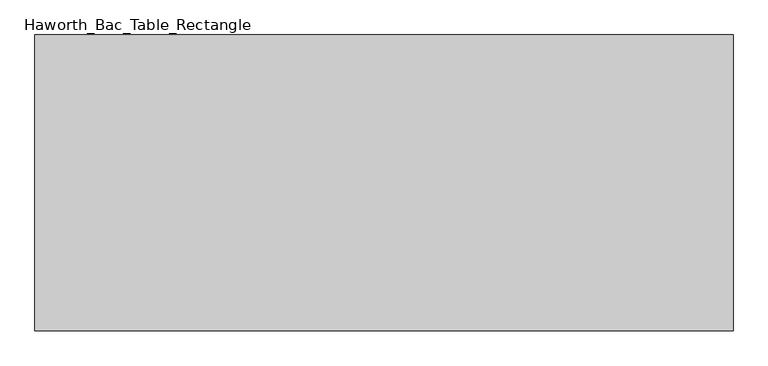
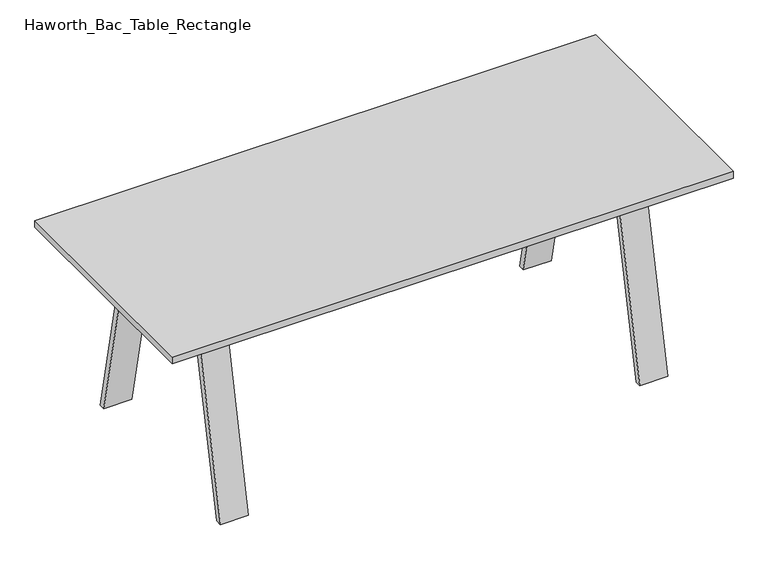
"""IFC4 building model written with IfcOpenShell, lengths in millimetres: furniture geometry, Haworth_Bac_Table_Rectangle."""

from ifc_helpers import new_model, si_unit, frame, origin, place, context, project, spatial, polyline, outline, extrude, source, transform, mapped, element, save


def haworth_bac_table_rectangle_2a127dba(model_context):
    return source(origin(), model_context, "Body", "SweptSolid", [
        extrude(outline(polyline([(1003.3, 421.4200592), (1003.3, -429.4799408), (-1003.3, -429.4799408), (-1003.3, 421.4200592), (1003.3, 421.4200592)])), frame((0.0, 0.0, 711.2), z_axis=(0.0, 0.0, 1.0), x_axis=(1.0, 0.0, 0.0)), (0.0, 0.0, 1.0), 25.4),
        extrude(outline(polyline([(720.0800781, 25.9837311), (720.0800781, -34.0436127), (-720.0800781, -34.0436127), (-720.0800781, 25.9837311), (720.0800781, 25.9837311)])), frame((0.0, 0.0, 630.7335938), z_axis=(0.0, 0.0, 1.0), x_axis=(1.0, 0.0, 0.0)), (0.0, 0.0, 1.0), 80.4664062),
        extrude(outline(polyline([(-202.9569134, 711.2), (194.8970319, 711.2), (212.0006945, 630.7335937), (-220.0605761, 630.7335937), (-202.9569134, 711.2)])), frame((720.0800781, 0.0, 0.0), z_axis=(1.0, 0.0, 0.0), x_axis=(0.0, 1.0, 0.0)), (0.0, 0.0, 1.0), 60.0273437),
        extrude(outline(polyline([(-202.9569134, 711.2), (-354.1271401, 0.0), (-376.6186089, 0.0), (-225.4483823, 711.2), (-202.9569134, 711.2)])), frame((700.0875, 0.0, 0.0), z_axis=(1.0, 0.0, 0.0), x_axis=(0.0, 1.0, 0.0)), (0.0, 0.0, 1.0), 100.0125),
        extrude(outline(polyline([(194.8970319, 711.2), (217.3885007, 711.2), (368.5587274, 0.0), (346.0672585, 0.0), (194.8970319, 711.2)])), frame((700.0875, 0.0, 0.0), z_axis=(1.0, 0.0, 0.0), x_axis=(0.0, 1.0, 0.0)), (0.0, 0.0, 1.0), 100.0125),
        extrude(outline(polyline([(-202.9569134, 711.2), (194.8970319, 711.2), (212.0006945, 630.7335938), (-220.0605761, 630.7335938), (-202.9569134, 711.2)])), frame((-780.1074219, 0.0, 0.0), z_axis=(1.0, 0.0, 0.0), x_axis=(0.0, 1.0, 0.0)), (0.0, 0.0, 1.0), 60.0273437),
        extrude(outline(polyline([(-202.9569134, 711.2), (-354.1271401, 0.0), (-376.6186089, 0.0), (-225.4483823, 711.2), (-202.9569134, 711.2)])), frame((-800.1, 0.0, 0.0), z_axis=(1.0, 0.0, 0.0), x_axis=(0.0, 1.0, 0.0)), (0.0, 0.0, 1.0), 100.0125),
        extrude(outline(polyline([(194.8970319, 711.2), (217.3885007, 711.2), (368.5587274, 0.0), (346.0672585, 0.0), (194.8970319, 711.2)])), frame((-800.1, 0.0, 0.0), z_axis=(1.0, 0.0, 0.0), x_axis=(0.0, 1.0, 0.0)), (0.0, 0.0, 1.0), 100.0125),
    ])


if __name__ == "__main__":
    model = new_model("IFC4")
    model_context = context("Model", 3, world=origin())
    ifc_project = project(units=[si_unit("LENGTHUNIT", "METRE", prefix="MILLI")], contexts=[model_context])
    site = spatial("IfcSite", under=ifc_project)
    building = spatial("IfcBuilding", under=site)
    placement = place(None, origin())
    haworth_bac_table_rectangle_shape = haworth_bac_table_rectangle_2a127dba(model_context)
    element("IfcFurniture", 1, ObjectType="Haworth_Bac_Table_Rectangle", at=placement, inside=building, context=model_context, shape_type="MappedRepresentation", body=[
        mapped(haworth_bac_table_rectangle_shape, transform((0.0, 0.0, 0.0), x_axis=(1.0, 0.0, 0.0), y_axis=(0.0, 1.0, 0.0), z_axis=(0.0, 0.0, 1.0))),
    ])
    save(model, "model.ifc")
